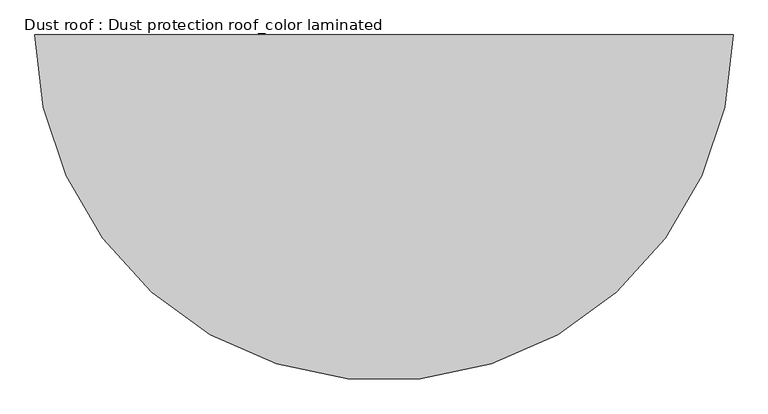
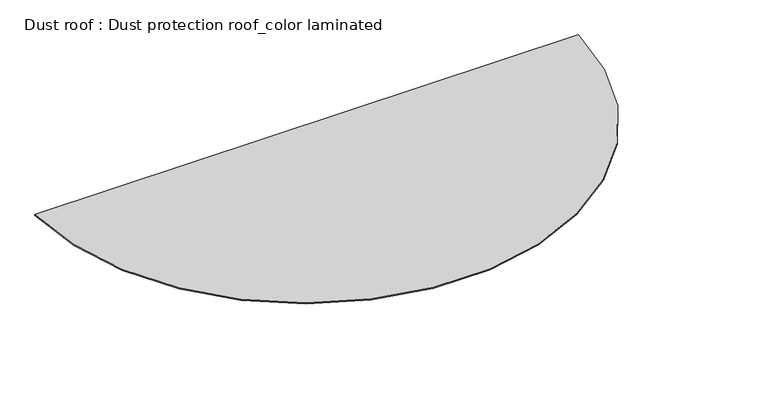
"""IFC4 building model written with IfcOpenShell, lengths in millimetres: proxy geometry, Dust roof : Dust protection roof_color laminated."""

import ifcopenshell
import ifcopenshell.guid

model = None  # the IFC model being written
_history = None  # IfcOwnerHistory: only IFC2X3 demands one
_inside = {}  # id of a spatial element -> (the spatial element, [elements in it])
_under = {}  # id of a project, library or spatial element -> (it, [spatial elements below it])
_declared = {}  # id of a project -> (the project, [libraries it declares])
_typed = {}  # id of a type object -> (the type object, [elements of that type])
_made_of = {}  # id of a material, layer set ... -> (it, [elements and type objects made of it])


def new_model(schema):
    """Start an empty IFC model of exactly this schema.

    Asked for "IFC4X3", IfcOpenShell would pick the latest addendum, in which some entities
    have other attributes; the version numbers below select the first issue.
    IFC2X3 requires an IfcOwnerHistory on every rooted entity: one is made here for all.
    """
    global model, _history
    if schema == "IFC4X3":
        model = ifcopenshell.file(schema_version=(4, 3, 0, 0))
    else:
        model = ifcopenshell.file(schema=schema)
    _inside.clear()
    _under.clear()
    _declared.clear()
    _typed.clear()
    _made_of.clear()
    _history = None
    if model.schema == "IFC2X3":
        org = make("IfcOrganization", Name="unknown")
        user = make(
            "IfcPersonAndOrganization",
            ThePerson=make("IfcPerson", FamilyName="unknown"),
            TheOrganization=org,
        )
        app = make(
            "IfcApplication",
            ApplicationDeveloper=org,
            Version="unknown",
            ApplicationFullName="unknown",
            ApplicationIdentifier="unknown",
        )
        _history = make(
            "IfcOwnerHistory",
            OwningUser=user,
            OwningApplication=app,
            ChangeAction="ADDED",
            CreationDate=0,
        )
    return model


def make(cls, **values):
    """One entity of the class cls with the attributes given. An attribute that is None is left unset."""
    return model.create_entity(
        cls, **{name: value for name, value in values.items() if value is not None}
    )


def rooted(cls, **values):
    """An entity with a GlobalId (a new one), such as an element, a storey or a relation."""
    return make(cls, GlobalId=ifcopenshell.guid.new(), OwnerHistory=_history, **values)


def si_unit(unit_type, name, prefix=None):
    """IfcSIUnit, for example si_unit("LENGTHUNIT", "METRE", prefix="MILLI")."""
    return make("IfcSIUnit", UnitType=unit_type, Prefix=prefix, Name=name)


def assignment(units):
    """IfcUnitAssignment: the units of a project."""
    return None if units is None else make("IfcUnitAssignment", Units=units)


def point(xyz):
    """IfcCartesianPoint."""
    return None if xyz is None else make("IfcCartesianPoint", Coordinates=xyz)


def direction(xyz):
    """IfcDirection."""
    return None if xyz is None else make("IfcDirection", DirectionRatios=xyz)


def frame(location, z_axis=None, x_axis=None):
    """IfcAxis2Placement3D, a coordinate frame: its origin and axes. An axis left out is left unset."""
    return make(
        "IfcAxis2Placement3D",
        Location=point(location),
        Axis=direction(z_axis),
        RefDirection=direction(x_axis),
    )


def frame_2d(location, x_axis=None):
    """IfcAxis2Placement2D, a coordinate frame in the plane: its origin and x axis."""
    return make(
        "IfcAxis2Placement2D", Location=point(location), RefDirection=direction(x_axis)
    )


def origin():
    """The frame at (0, 0, 0) with its axes left unset."""
    return frame((0.0, 0.0, 0.0))


def origin_with_axes():
    """The frame at (0, 0, 0) with the z axis (0, 0, 1) and the x axis (1, 0, 0) written out."""
    return frame((0.0, 0.0, 0.0), z_axis=(0.0, 0.0, 1.0), x_axis=(1.0, 0.0, 0.0))


def origin_2d():
    """The frame at (0, 0) in the plane with its x axis left unset."""
    return frame_2d((0.0, 0.0))


def place(relative_to, where):
    """IfcLocalPlacement: puts the frame where relative to a parent placement (None: the world)."""
    return make(
        "IfcLocalPlacement", PlacementRelTo=relative_to, RelativePlacement=where
    )


def context(
    kind, dimensions, precision=None, world=None, true_north=None, identifier=None
):
    """IfcGeometricRepresentationContext, for example the 3D "Model" context."""
    return make(
        "IfcGeometricRepresentationContext",
        ContextIdentifier=identifier,
        ContextType=kind,
        CoordinateSpaceDimension=dimensions,
        Precision=precision,
        WorldCoordinateSystem=world,
        TrueNorth=true_north,
    )


def project(units=None, contexts=None):
    """IfcProject with its units and contexts."""
    return rooted(
        "IfcProject",
        Name="project",
        RepresentationContexts=contexts,
        UnitsInContext=assignment(units),
    )


def spatial(cls, under=None, at=None, **own):
    """A site, building, storey or space (cls), placed at a placement, below another one or the project."""
    s = rooted(cls, ObjectPlacement=at, **own)
    if under is not None:
        _under.setdefault(under.id(), (under, []))[1].append(s)
    return s


def polyline(points):
    """IfcPolyline through the points."""
    return make("IfcPolyline", Points=[point(p) for p in points])


def circle_curve(where, radius):
    """IfcCircle in the frame where."""
    return make("IfcCircle", Position=where, Radius=radius)


def trimmed(basis, trim1, trim2, sense, master):
    """IfcTrimmedCurve: the piece of a basis curve between two trims."""
    return make(
        "IfcTrimmedCurve",
        BasisCurve=basis,
        Trim1=trim1,
        Trim2=trim2,
        SenseAgreement=sense,
        MasterRepresentation=master,
    )


def segment(curve, same_sense, transition):
    """IfcCompositeCurveSegment."""
    return make(
        "IfcCompositeCurveSegment",
        Transition=transition,
        SameSense=same_sense,
        ParentCurve=curve,
    )


def composite_curve(segments, self_intersect=None):
    """IfcCompositeCurve: segments joined end to end."""
    return make("IfcCompositeCurve", Segments=segments, SelfIntersect=self_intersect)


def outline(outer, holes=None, kind="AREA"):
    """IfcArbitraryClosedProfileDef: a profile drawn as a closed curve; with holes, ...WithVoids."""
    if holes is None:
        return make("IfcArbitraryClosedProfileDef", ProfileType=kind, OuterCurve=outer)
    return make(
        "IfcArbitraryProfileDefWithVoids",
        ProfileType=kind,
        OuterCurve=outer,
        InnerCurves=holes,
    )


def extrude(swept, where, along, depth):
    """IfcExtrudedAreaSolid: the profile swept, set in the frame where, extruded along a direction by depth."""
    return make(
        "IfcExtrudedAreaSolid",
        SweptArea=swept,
        Position=where,
        ExtrudedDirection=direction(along),
        Depth=depth,
    )


def shape(context_of_items, identifier, shape_type, items):
    """IfcShapeRepresentation: the items that make up one representation, for example the "Body"."""
    return make(
        "IfcShapeRepresentation",
        ContextOfItems=context_of_items,
        RepresentationIdentifier=identifier,
        RepresentationType=shape_type,
        Items=items,
    )


def source(mapping_origin, context_of_items, identifier, shape_type, items):
    """IfcRepresentationMap: a shape defined once, which mapped items show again and again."""
    return make(
        "IfcRepresentationMap",
        MappingOrigin=mapping_origin,
        MappedRepresentation=shape(context_of_items, identifier, shape_type, items),
    )


def transform(
    local_origin,
    x_axis=None,
    y_axis=None,
    z_axis=None,
    scale=None,
    scale2=None,
    scale3=None,
    uniform=True,
):
    """IfcCartesianTransformationOperator3D, or its non-uniform kind. x_axis, y_axis, z_axis: its Axis1, 2, 3."""
    if uniform:
        return make(
            "IfcCartesianTransformationOperator3D",
            Axis1=direction(x_axis),
            Axis2=direction(y_axis),
            LocalOrigin=point(local_origin),
            Scale=scale,
            Axis3=direction(z_axis),
        )
    return make(
        "IfcCartesianTransformationOperator3DnonUniform",
        Axis1=direction(x_axis),
        Axis2=direction(y_axis),
        LocalOrigin=point(local_origin),
        Scale=scale,
        Axis3=direction(z_axis),
        Scale2=scale2,
        Scale3=scale3,
    )


def mapped(mapping_source, mapping_target):
    """IfcMappedItem: shows the shape of a source again, moved by a transform."""
    return make(
        "IfcMappedItem", MappingSource=mapping_source, MappingTarget=mapping_target
    )


def made_of(thing, what):
    """Note that an element or type object is made of a material, layer set ...; save() writes the relation."""
    if what is not None:
        _made_of.setdefault(what.id(), (what, []))[1].append(thing)
    return thing


def element(
    cls,
    number,
    at=None,
    inside=None,
    cuts=None,
    type_object=None,
    material=None,
    context=None,
    identifier="Body",
    shape_type=None,
    held_by="IfcProductDefinitionShape",
    body=None,
    shapes=None,
    **own,
):
    """One element of the class cls, such as IfcWall. Its Tag is "e" and its number.

    at: its placement. inside: the storey or other place that contains it. cuts: it is an
    opening in that element (IfcRelVoidsElement). A single representation is given by context,
    identifier, shape_type and body (its items); several are given by shapes. held_by: the class
    of the entity that holds the representations. save() writes the other relations.
    """
    e = rooted(cls, Tag="e%d" % number, ObjectPlacement=at, **own)
    if body is not None:
        shapes = [shape(context, identifier, shape_type, body)]
    if shapes is not None:
        e.Representation = make(held_by, Representations=shapes)
    if inside is not None:
        _inside.setdefault(inside.id(), (inside, []))[1].append(e)
    if cuts is not None:
        rooted(
            "IfcRelVoidsElement", RelatingBuildingElement=cuts, RelatedOpeningElement=e
        )
    if type_object is not None:
        _typed.setdefault(type_object.id(), (type_object, []))[1].append(e)
    return made_of(e, material)


def aggregate(whole, parts):
    """IfcRelAggregates: a whole, such as a stair, and the parts it consists of."""
    return rooted("IfcRelAggregates", RelatingObject=whole, RelatedObjects=parts)


def save(model, path):
    """Write the relations noted so far, then the file.

    IfcRelAggregates (storeys below a building ...), IfcRelContainedInSpatialStructure (elements
    in a storey), IfcRelDefinesByType, IfcRelAssociatesMaterial and IfcRelDeclares: one each for
    every whole, place, type object, material and project.
    """
    for whole, parts in _under.values():
        aggregate(whole, parts)
    for where, things in _inside.values():
        rooted(
            "IfcRelContainedInSpatialStructure",
            RelatedElements=things,
            RelatingStructure=where,
        )
    for kind, things in _typed.values():
        rooted("IfcRelDefinesByType", RelatedObjects=things, RelatingType=kind)
    for what, things in _made_of.values():
        rooted("IfcRelAssociatesMaterial", RelatedObjects=things, RelatingMaterial=what)
    for by, libraries in _declared.values():
        rooted("IfcRelDeclares", RelatingContext=by, RelatedDefinitions=libraries)
    model.write(path)


def dust_roof_dust_protection_roof_color_laminated_6064a3e3(model_context):
    return source(origin(), model_context, "Body", "SweptSolid", [
        extrude(outline(composite_curve([segment(trimmed(circle_curve(origin_2d(), 2736.0), [point((2735.8857798, -25.0))], [point((-2735.8857798, -25.0))], False, "CARTESIAN"), True, "CONTINUOUS"), segment(polyline([(-2735.8857798, -25.0), (2735.8857798, -25.0)]), True, "CONTINUOUS")], self_intersect=False)), origin_with_axes(), (0.0, 0.0, 1.0), 10.0),
    ])


if __name__ == "__main__":
    model = new_model("IFC4")
    model_context = context("Model", 3, world=origin())
    ifc_project = project(units=[si_unit("LENGTHUNIT", "METRE", prefix="MILLI")], contexts=[model_context])
    site = spatial("IfcSite", under=ifc_project)
    building = spatial("IfcBuilding", under=site)
    placement = place(None, origin())
    dust_roof_dust_protection_roof_color_laminated_shape = dust_roof_dust_protection_roof_color_laminated_6064a3e3(model_context)
    element("IfcBuildingElementProxy", 1, Name="Dust roof : Dust protection roof_color laminated", ObjectType="Dust roof : Dust protection roof_color laminated", at=placement, inside=building, context=model_context, shape_type="MappedRepresentation", body=[
        mapped(dust_roof_dust_protection_roof_color_laminated_shape, transform((0.0, 0.0, 0.0), x_axis=(1.0, 0.0, 0.0), y_axis=(0.0, 1.0, 0.0), z_axis=(0.0, 0.0, 1.0))),
    ])
    save(model, "model.ifc")
